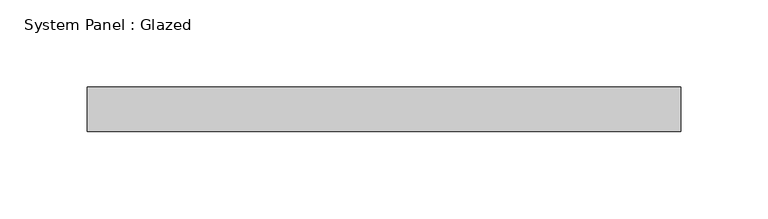
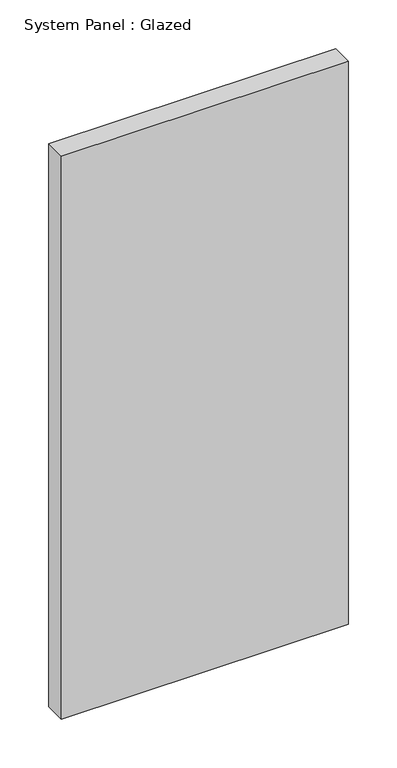
"""IFC4 building model written with IfcOpenShell, lengths in millimetres: plate geometry, System Panel : Glazed."""

from ifc_helpers import new_model, si_unit, origin, origin_with_axes, place, context, project, spatial, polyline, outline, extrude, source, transform, mapped, element, save


def system_panel_glazed_3de712d7(model_context):
    return source(origin(), model_context, "Body", "SweptSolid", [
        extrude(outline(polyline([(169.8625, -12.7), (-169.8625, -12.7), (-169.8625, 12.7), (169.8625, 12.7), (169.8625, -12.7)])), origin_with_axes(), (0.0, 0.0, 1.0), 704.85),
    ])


if __name__ == "__main__":
    model = new_model("IFC4")
    model_context = context("Model", 3, world=origin())
    ifc_project = project(units=[si_unit("LENGTHUNIT", "METRE", prefix="MILLI")], contexts=[model_context])
    site = spatial("IfcSite", under=ifc_project)
    building = spatial("IfcBuilding", under=site)
    placement = place(None, origin())
    system_panel_glazed_shape = system_panel_glazed_3de712d7(model_context)
    element("IfcPlate", 1, ObjectType="System Panel : Glazed", at=placement, inside=building, context=model_context, shape_type="MappedRepresentation", body=[
        mapped(system_panel_glazed_shape, transform((0.0, 0.0, 0.0), x_axis=(1.0, 0.0, 0.0), y_axis=(0.0, 1.0, 0.0), z_axis=(0.0, 0.0, 1.0))),
    ])
    save(model, "model.ifc")
